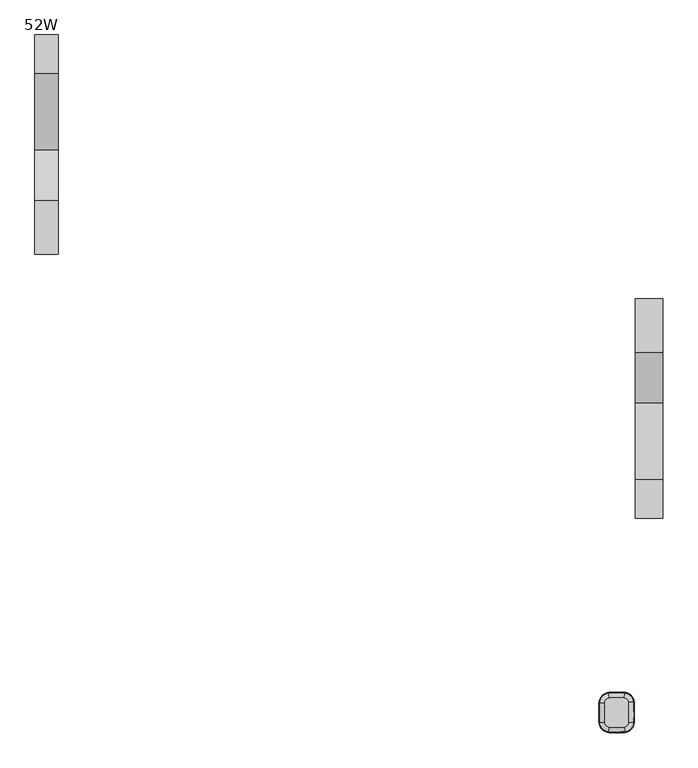
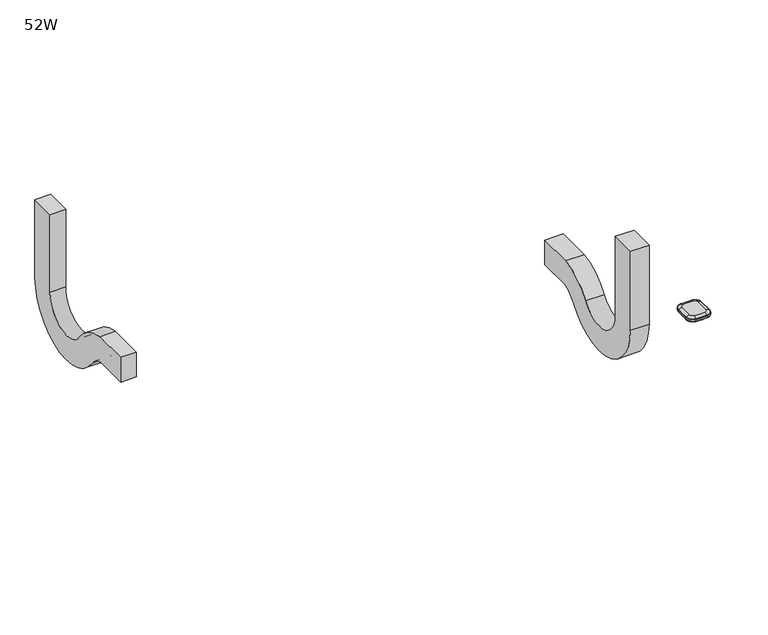
"""IFC4 building model written with IfcOpenShell, lengths in millimetres: furniture geometry, 52W."""

from ifc_helpers import new_model, si_unit, point, frame, frame_2d, origin, place, context, project, spatial, polyline, circle_curve, ellipse_curve, trimmed, segment, composite_curve, outline, extrude, source, transform, mapped, element, save
from ifc_brep_helpers import plane_surface, revolved_surface, advanced_brep


def furniture_52w_fedf03c4(model_context):
    return source(origin(), model_context, "Body", "SolidModel", [
        extrude(outline(composite_curve([segment(polyline([(-362.6002405, 626.0817412), (-296.7829354, 626.0817412), (-296.7829354, 414.9770521)]), True, "CONTINUOUS"), segment(trimmed(circle_curve(frame_2d((-225.2196812, 414.9770521)), 71.5632541), [point((-296.7829354, 414.9770521))], [point((-166.1254795, 374.6140162))], True, "CARTESIAN"), True, "CONTINUOUS"), segment(trimmed(circle_curve(frame_2d((-62.1606652, 303.6030641)), 125.9016995), [point((-166.1254795, 374.6140162))], [point((-79.3250904, 428.329246))], False, "CARTESIAN"), True, "CONTINUOUS"), segment(polyline([(-79.3250904, 428.329246), (12.7, 428.329246), (12.7, 362.5119408), (-73.9876973, 362.5119408)]), True, "CONTINUOUS"), segment(trimmed(circle_curve(frame_2d((-62.1606652, 303.6030641)), 60.0843944), [point((-73.9876973, 362.5119408))], [point((-111.776063, 337.4918048))], True, "CARTESIAN"), True, "CONTINUOUS"), segment(trimmed(circle_curve(frame_2d((-225.2196812, 414.9770521)), 137.3805593), [point((-111.776063, 337.4918048))], [point((-362.6002405, 414.9770521))], False, "CARTESIAN"), True, "CONTINUOUS"), segment(polyline([(-362.6002405, 414.9770521), (-362.6002405, 626.0817412)]), True, "CONTINUOUS")], self_intersect=False)), frame((495.3, 0.0, 0.0), z_axis=(1.0, 0.0, 0.0), x_axis=(0.0, 1.0, 0.0)), (0.0, 0.0, 1.0), 47.095808),
        extrude(outline(composite_curve([segment(polyline([(398.3829354, 622.5270035), (464.2002405, 622.5270035), (464.2002405, 414.9770521)]), True, "CONTINUOUS"), segment(trimmed(circle_curve(frame_2d((326.8196812, 414.9770521)), 137.3805593), [point((464.2002405, 414.9770521))], [point((213.376063, 337.4918048))], False, "CARTESIAN"), True, "CONTINUOUS"), segment(trimmed(circle_curve(frame_2d((163.7606652, 303.6030641)), 60.0843944), [point((213.376063, 337.4918048))], [point((175.5876973, 362.5119408))], True, "CARTESIAN"), True, "CONTINUOUS"), segment(polyline([(175.5876973, 362.5119408), (88.9, 362.5119408), (88.9, 428.329246), (180.9250904, 428.329246)]), True, "CONTINUOUS"), segment(trimmed(circle_curve(frame_2d((163.7606652, 303.6030641)), 125.9016995), [point((180.9250904, 428.329246))], [point((267.7254795, 374.6140162))], False, "CARTESIAN"), True, "CONTINUOUS"), segment(trimmed(circle_curve(frame_2d((326.8196812, 414.9770521)), 71.5632541), [point((267.7254795, 374.6140162))], [point((398.3829354, 414.9770521))], True, "CARTESIAN"), True, "CONTINUOUS"), segment(polyline([(398.3829354, 414.9770521), (398.3829354, 622.5270035)]), True, "CONTINUOUS")], self_intersect=False)), frame((-532.5504395, 0.0, 0.0), z_axis=(1.0, 0.0, 0.0), x_axis=(0.0, 1.0, 0.0)), (0.0, 0.0, 1.0), 39.6623077),
        advanced_brep(
        [(477.6115374, -720.1187209, 686.2002905), (478.7543179, -727.7731833, 683.3834162), (492.2427261, -712.8735148, 683.3834162), (484.5126626, -712.4955473, 686.2002905), (493.50939, -712.9354493, 681.9527708), (478.9415762, -729.0274591, 681.9527708), (478.9660814, -729.1915975, 677.6840916), (493.6751497, -712.9435543, 677.6840916), (492.0943896, -677.2891615, 683.3834162), (484.3677458, -677.7315617, 686.2002905), (493.5261794, -677.2071824, 677.6840916), (493.3604931, -677.216669, 681.9527708), (477.9675965, -662.5236904, 683.3834162), (477.1841927, -670.2232371, 686.2002905), (478.1127656, -661.0969218, 677.6840916), (478.0959667, -661.262027, 681.9527708), (450.6358016, -662.3431655, 683.3834162), (451.3174314, -670.0523886, 686.2002905), (450.5094919, -660.9146037, 677.6840916), (450.5241084, -661.0799165, 681.9527708), (434.9085802, -678.6378217, 683.3834162), (442.6371131, -679.045891, 686.2002905), (433.4764403, -678.5622041, 677.6840916), (433.6421671, -678.5709546, 681.9527708), (434.7872101, -711.9795758, 683.3834162), (442.518509, -711.6277831, 686.2002905), (433.3545576, -712.0447649, 677.6840916), (433.5203437, -712.0372213, 681.9527708), (449.306564, -727.9163084, 683.3834162), (450.3748861, -720.2510994, 686.2002905), (449.1085979, -729.3367141, 677.6840916), (449.1315065, -729.1723451, 681.9527708), (493.3250419, -712.9264355, 676.940773), (478.914323, -728.8449139, 676.940773), (477.6115374, -720.1187209, 673.4999998), (484.5126626, -712.4955473, 673.4999998), (484.3677458, -677.7315617, 673.4999998), (493.1762266, -677.2272194, 676.940773), (477.1841927, -670.2232371, 673.4999998), (478.0772839, -661.4456474, 676.940773), (451.3174314, -670.0523886, 673.4999998), (450.540364, -661.2637676, 676.940773), (442.6371131, -679.045891, 673.4999998), (433.8264787, -678.5806863, 676.940773), (442.518509, -711.6277831, 673.4999998), (433.7047213, -712.0288317, 676.940773), (450.3748861, -720.2510994, 673.4999998), (449.1569841, -728.9895437, 676.940773)],
        [
            (0, 1),
            (1, 2, circle_curve(frame((476.4143107, -712.0995721, 683.3834162), z_axis=(0.0, 0.0, 1.0), x_axis=(0.1476594373655488, -0.9890382654664528, 0.0)), 15.8473253)),
            (2, 3),
            (3, 0, circle_curve(frame((476.4143107, -712.0995721, 686.1999998), z_axis=(0.0, 0.0, -1.0), x_axis=(0.1476594373655488, -0.9890382654664528, 0.0)), 8.1088255)),
            (4, 5, circle_curve(frame((476.4143107, -712.0995721, 681.9527708), z_axis=(0.0, 0.0, -1.0), x_axis=(0.1476594373655488, -0.9890382654664528, 0.0)), 17.1155025)),
            (5, 6, circle_curve(frame((477.3147111, -718.1305475, 679.3868597), z_axis=(0.9890382654664528, 0.14765943736554882, 0.0), x_axis=(-0.14765943736554882, 0.9890382654664528, 0.0)), 11.3125272)),
            (6, 7, circle_curve(frame((476.4143107, -712.0995721, 677.6840916), z_axis=(0.0, 0.0, 1.0), x_axis=(0.1476594373655488, -0.9890382654664528, 0.0)), 17.2814602)),
            (7, 4, circle_curve(frame((482.5048525, -712.3973739, 679.3868597), z_axis=(-0.048837433538175434, -0.9988067406087148, 0.0), x_axis=(-0.9988067406087148, 0.048837433538175434, 0.0)), 11.3125272)),
            (1, 5, circle_curve(frame((478.6529657, -727.0943157, 681.4975708), z_axis=(0.9890382654664528, 0.14765943736554882, 0.0), x_axis=(-0.14765943736554882, 0.9890382654664528, 0.0)), 2.0068747)),
            (4, 2, circle_curve(frame((491.5571536, -712.8399932, 681.4975708), z_axis=(-0.048837433538182984, -0.9988067406087143, 0.0), x_axis=(-0.9988067406087143, 0.048837433538182984, 0.0)), 2.0068747)),
            (2, 8, circle_curve(frame((156.9426653, -696.4787572, 683.3834162), z_axis=(0.0, 0.0, 1.0), x_axis=(0.9988067406087116, -0.04883743353824024, 0.0)), 335.7006387)),
            (8, 9),
            (9, 3, circle_curve(frame((156.9426653, -696.4787572, 686.1999998), z_axis=(0.0, 0.0, -1.0), x_axis=(0.9988067406087116, -0.04883743353824024, 0.0)), 327.9621389)),
            (7, 10, circle_curve(frame((156.9426653, -696.4787572, 677.6840916), z_axis=(0.0, 0.0, 1.0), x_axis=(0.9988067406087116, -0.04883743353824024, 0.0)), 337.1347736)),
            (10, 11, circle_curve(frame((482.360824, -677.8464709, 679.3868597), z_axis=(0.057162821296979055, -0.9983648691041616, 0.0), x_axis=(-0.9983648691041616, -0.057162821296979055, 0.0)), 11.3125272)),
            (11, 4, circle_curve(frame((156.9426653, -696.4787572, 681.9527708), z_axis=(0.0, 0.0, -1.0), x_axis=(0.9988067406087116, -0.04883743353824024, 0.0)), 336.9688159)),
            (11, 8, circle_curve(frame((491.4091203, -677.3283976, 681.4975708), z_axis=(0.057162821296978604, -0.9983648691041617, 0.0), x_axis=(-0.9983648691041617, -0.057162821296978604, 0.0)), 2.0068747)),
            (8, 12, circle_curve(frame((476.3736743, -678.1892738, 683.3834162), z_axis=(0.0, 0.0, 1.0), x_axis=(0.9983648691041614, 0.05716282129698137, 0.0)), 15.7464628)),
            (12, 13),
            (13, 9, circle_curve(frame((476.3736743, -678.1892738, 686.1999998), z_axis=(0.0, 0.0, -1.0), x_axis=(0.9983648691041614, 0.05716282129698137, 0.0)), 8.0079629)),
            (10, 14, circle_curve(frame((476.3736743, -678.1892738, 677.6840916), z_axis=(0.0, 0.0, 1.0), x_axis=(0.9983648691041614, 0.05716282129698137, 0.0)), 17.1805977)),
            (14, 15, circle_curve(frame((476.980711, -672.2231208, 679.3868597), z_axis=(0.9948636454160275, -0.10122414252308043, 0.0), x_axis=(-0.10122414252308043, -0.9948636454160275, 0.0)), 11.3125272)),
            (15, 11, circle_curve(frame((476.3736743, -678.1892738, 681.9527708), z_axis=(0.0, 0.0, -1.0), x_axis=(0.9983648691041614, 0.05716282129698137, 0.0)), 17.01464)),
            (15, 12, circle_curve(frame((477.8981171, -663.2065564, 681.4975708), z_axis=(0.9948636454160269, -0.10122414252308576, 0.0), x_axis=(-0.10122414252308576, -0.9948636454160269, 0.0)), 2.0068747)),
            (12, 16, circle_curve(frame((463.3523463, -806.1671014, 683.3834162), z_axis=(0.0, 0.0, 1.0), x_axis=(0.10122414252308336, 0.9948636454160271, 0.0)), 144.3850237)),
            (16, 17),
            (17, 13, circle_curve(frame((463.3523463, -806.1671014, 686.1999998), z_axis=(0.0, 0.0, -1.0), x_axis=(0.10122414252308336, 0.9948636454160271, 0.0)), 136.6465238)),
            (14, 18, circle_curve(frame((463.3523463, -806.1671014, 677.6840916), z_axis=(0.0, 0.0, 1.0), x_axis=(0.10122414252308336, 0.9948636454160271, 0.0)), 145.8191585)),
            (18, 19, circle_curve(frame((451.4944783, -672.0547856, 679.3868597), z_axis=(0.996113947934043, 0.08807384816876526, 0.0), x_axis=(0.08807384816876526, -0.996113947934043, 0.0)), 11.3125272)),
            (19, 15, circle_curve(frame((463.3523463, -806.1671014, 681.9527708), z_axis=(0.0, 0.0, -1.0), x_axis=(0.10122414252308336, 0.9948636454160271, 0.0)), 145.6532009)),
            (19, 16, circle_curve(frame((450.6962548, -663.0268897, 681.4975708), z_axis=(0.9961139479340431, 0.08807384816876489, 0.0), x_axis=(0.08807384816876489, -0.9961139479340431, 0.0)), 2.0068747)),
            (16, 20, circle_curve(frame((452.1570575, -679.5485475, 683.3834162), z_axis=(0.0, 0.0, 1.0), x_axis=(-0.08807384816876603, 0.996113947934043, 0.0)), 17.2725039)),
            (20, 21),
            (21, 17, circle_curve(frame((452.1570575, -679.5485475, 686.1999998), z_axis=(0.0, 0.0, -1.0), x_axis=(-0.08807384816876603, 0.996113947934043, 0.0)), 9.534004)),
            (18, 22, circle_curve(frame((452.1570575, -679.5485475, 677.6840916), z_axis=(0.0, 0.0, 1.0), x_axis=(-0.08807384816876603, 0.996113947934043, 0.0)), 18.7066388)),
            (22, 23, circle_curve(frame((444.6445256, -679.1518831, 679.3868597), z_axis=(0.0527269152255881, 0.9986089687213878, 0.0), x_axis=(0.9986089687213878, -0.0527269152255881, 0.0)), 11.3125272)),
            (23, 19, circle_curve(frame((452.1570575, -679.5485475, 681.9527708), z_axis=(0.0, 0.0, -1.0), x_axis=(-0.08807384816876603, 0.996113947934043, 0.0)), 18.5406811)),
            (23, 20, circle_curve(frame((435.594017, -678.674013, 681.4975708), z_axis=(0.05272691522559206, 0.9986089687213877, 0.0), x_axis=(0.9986089687213877, -0.05272691522559206, 0.0)), 2.0068747)),
            (20, 24, circle_curve(frame((774.026514, -696.5433714, 683.3834162), z_axis=(0.0, 0.0, 1.0), x_axis=(-0.9986089687213847, 0.05272691522564658, 0.0)), 339.5903145)),
            (24, 25),
            (25, 21, circle_curve(frame((774.026514, -696.5433714, 686.1999998), z_axis=(0.0, 0.0, -1.0), x_axis=(-0.9986089687213847, 0.05272691522564658, 0.0)), 331.8518146)),
            (22, 26, circle_curve(frame((774.026514, -696.5433714, 677.6840916), z_axis=(0.0, 0.0, 1.0), x_axis=(-0.9986089687213847, 0.05272691522564658, 0.0)), 341.0244494)),
            (26, 27, circle_curve(frame((444.52664, -711.5364083, 679.3868597), z_axis=(-0.04545537307656789, 0.998966370334092, 0.0), x_axis=(0.998966370334092, 0.04545537307656789, 0.0)), 11.3125272)),
            (27, 23, circle_curve(frame((774.026514, -696.5433714, 681.9527708), z_axis=(0.0, 0.0, -1.0), x_axis=(-0.9986089687213847, 0.05272691522564658, 0.0)), 340.8584917)),
            (27, 24, circle_curve(frame((435.4728922, -711.9483756, 681.4975708), z_axis=(-0.045455373076567544, 0.9989663703340919, 0.0), x_axis=(0.9989663703340919, 0.045455373076567544, 0.0)), 2.0068747)),
            (24, 28, circle_curve(frame((451.6345546, -711.2129811, 683.3834162), z_axis=(0.0, 0.0, 1.0), x_axis=(-0.9989663703340921, -0.045455373076564755, 0.0)), 16.8647764)),
            (28, 29),
            (29, 25, circle_curve(frame((451.6345546, -711.2129811, 686.1999998), z_axis=(0.0, 0.0, -1.0), x_axis=(-0.9989663703340921, -0.045455373076564755, 0.0)), 9.1262765)),
            (26, 30, circle_curve(frame((451.6345546, -711.2129811, 677.6840916), z_axis=(0.0, 0.0, 1.0), x_axis=(-0.9989663703340921, -0.045455373076564755, 0.0)), 18.2989113)),
            (30, 31, circle_curve(frame((450.6523726, -718.2601347, 679.3868597), z_axis=(-0.9904268457768627, 0.13803862924737725, 0.0), x_axis=(0.13803862924737725, 0.9904268457768627, 0.0)), 11.3125272)),
            (31, 27, circle_curve(frame((451.6345546, -711.2129811, 681.9527708), z_axis=(0.0, 0.0, -1.0), x_axis=(-0.9989663703340921, -0.045455373076564755, 0.0)), 18.1329536)),
            (31, 28, circle_curve(frame((449.4013125, -727.2364878, 681.4975708), z_axis=(-0.9904268457768625, 0.13803862924737836, 0.0), x_axis=(0.13803862924737836, 0.9904268457768625, 0.0)), 2.0068747)),
            (0, 29, circle_curve(frame((463.5346182, -625.8300522, 686.1999998), z_axis=(0.0, 0.0, -1.0), x_axis=(-0.13803862924737878, -0.9904268457768624, 0.0)), 95.33449)),
            (28, 1, circle_curve(frame((463.5346182, -625.8300522, 683.3834162), z_axis=(0.0, 0.0, 1.0), x_axis=(-0.13803862924737878, -0.9904268457768624, 0.0)), 103.0729899)),
            (5, 31, circle_curve(frame((463.5346182, -625.8300522, 681.9527708), z_axis=(0.0, 0.0, -1.0), x_axis=(-0.13803862924737878, -0.9904268457768624, 0.0)), 104.3411671)),
            (30, 6, circle_curve(frame((463.5346182, -625.8300522, 677.6840916), z_axis=(0.0, 0.0, 1.0), x_axis=(-0.13803862924737878, -0.9904268457768624, 0.0)), 104.5071248)),
            (32, 33, circle_curve(frame((476.4143107, -712.0995721, 676.940773), z_axis=(0.0, 0.0, -1.0), x_axis=(0.1476594373655488, -0.9890382654664528, 0.0)), 16.9309342)),
            (33, 34, circle_curve(frame((477.761296, -721.1218192, 683.9316594), z_axis=(0.9890382654664528, 0.14765943736554882, 0.0), x_axis=(-0.14765943736554882, 0.9890382654664528, 0.0)), 10.4808471)),
            (34, 35, circle_curve(frame((476.4143107, -712.0995721, 673.4999998), z_axis=(0.0, 0.0, 1.0), x_axis=(0.1476594373655488, -0.9890382654664528, 0.0)), 8.1080269)),
            (35, 32, circle_curve(frame((485.5256682, -712.545079, 683.9316594), z_axis=(-0.04883743353810335, -0.9988067406087182, 0.0), x_axis=(-0.9988067406087182, 0.04883743353810335, 0.0)), 10.4808471)),
            (6, 33, circle_curve(frame((478.755997, -727.7844301, 677.9007148), z_axis=(0.9890382654664528, 0.14765943736554882, 0.0), x_axis=(-0.14765943736554882, 0.9890382654664528, 0.0)), 1.4391599)),
            (32, 7, circle_curve(frame((492.2540841, -712.8740702, 677.9007148), z_axis=(-0.048837433538165, -0.9988067406087151, 0.0), x_axis=(-0.9988067406087151, 0.048837433538165, 0.0)), 1.4391599)),
            (35, 36, circle_curve(frame((156.9426653, -696.4787572, 673.4999998), z_axis=(0.0, 0.0, 1.0), x_axis=(0.9988067406087116, -0.04883743353824024, 0.0)), 327.9613402)),
            (36, 37, circle_curve(frame((485.3803033, -677.6735862, 683.9316594), z_axis=(0.05716282129697852, -0.9983648691041617, 0.0), x_axis=(-0.9983648691041617, -0.05716282129697852, 0.0)), 10.4808471)),
            (37, 32, circle_curve(frame((156.9426653, -696.4787572, 676.940773), z_axis=(0.0, 0.0, -1.0), x_axis=(0.9988067406087116, -0.04883743353824024, 0.0)), 336.7842476)),
            (37, 10, circle_curve(frame((492.1057425, -677.2885115, 677.9007148), z_axis=(0.05716282129697867, -0.9983648691041617, 0.0), x_axis=(-0.9983648691041617, -0.05716282129697867, 0.0)), 1.4391599)),
            (36, 38, circle_curve(frame((476.3736743, -678.1892738, 673.4999998), z_axis=(0.0, 0.0, 1.0), x_axis=(0.9983648691041614, 0.05716282129698137, 0.0)), 8.0071643)),
            (38, 39, circle_curve(frame((477.2868558, -669.2142307, 683.9316594), z_axis=(0.9948636454160271, -0.10122414252308332, 0.0), x_axis=(-0.10122414252308332, -0.9948636454160271, 0.0)), 10.4808471)),
            (39, 37, circle_curve(frame((476.3736743, -678.1892738, 676.940773), z_axis=(0.0, 0.0, -1.0), x_axis=(0.9983648691041614, 0.05716282129698137, 0.0)), 16.8300716)),
            (39, 14, circle_curve(frame((477.9687476, -662.5123773, 677.9007148), z_axis=(0.994863645416027, -0.1012241425230844, 0.0), x_axis=(-0.1012241425230844, -0.994863645416027, 0.0)), 1.4391599)),
            (38, 40, circle_curve(frame((463.3523463, -806.1671014, 673.4999998), z_axis=(0.0, 0.0, 1.0), x_axis=(0.10122414252308336, 0.9948636454160271, 0.0)), 136.6457252)),
            (40, 41, circle_curve(frame((451.2281056, -669.0421141, 683.9316594), z_axis=(0.9961139479340431, 0.08807384816876511, 0.0), x_axis=(0.08807384816876511, -0.9961139479340431, 0.0)), 10.4808471)),
            (41, 39, circle_curve(frame((463.3523463, -806.1671014, 676.940773), z_axis=(0.0, 0.0, -1.0), x_axis=(0.10122414252308336, 0.9948636454160271, 0.0)), 145.4686325)),
            (41, 18, circle_curve(frame((450.6348001, -662.3318381, 677.9007148), z_axis=(0.996113947934043, 0.08807384816876532, 0.0), x_axis=(0.08807384816876532, -0.996113947934043, 0.0)), 1.4391599)),
            (40, 42, circle_curve(frame((452.1570575, -679.5485475, 673.4999998), z_axis=(0.0, 0.0, 1.0), x_axis=(-0.08807384816876603, 0.996113947934043, 0.0)), 9.5332054)),
            (42, 43, circle_curve(frame((441.6243081, -678.9924145, 683.9316594), z_axis=(0.052726915225535964, 0.9986089687213906, 0.0), x_axis=(0.9986089687213906, -0.052726915225535964, 0.0)), 10.4808471)),
            (43, 41, circle_curve(frame((452.1570575, -679.5485475, 676.940773), z_axis=(0.0, 0.0, -1.0), x_axis=(-0.08807384816876603, 0.996113947934043, 0.0)), 18.3561127)),
            (43, 22, circle_curve(frame((434.8972245, -678.6372221, 677.9007148), z_axis=(0.05272691522558652, 0.9986089687213879, 0.0), x_axis=(0.9986089687213879, -0.05272691522558652, 0.0)), 1.4391599)),
            (42, 44, circle_curve(frame((774.026514, -696.5433714, 673.4999998), z_axis=(0.0, 0.0, 1.0), x_axis=(-0.9986089687213847, 0.05272691522564658, 0.0)), 331.851016)),
            (44, 45, circle_curve(frame((441.5053415, -711.6738847, 683.9316594), z_axis=(-0.04545537307656799, 0.998966370334092, 0.0), x_axis=(0.998966370334092, 0.04545537307656799, 0.0)), 10.4808471)),
            (45, 43, circle_curve(frame((774.026514, -696.5433714, 676.940773), z_axis=(0.0, 0.0, -1.0), x_axis=(-0.9986089687213847, 0.05272691522564658, 0.0)), 340.6739233)),
            (45, 26, circle_curve(frame((434.7758503, -711.9800927, 677.9007148), z_axis=(-0.04545537307656811, 0.998966370334092, 0.0), x_axis=(0.998966370334092, 0.04545537307656811, 0.0)), 1.4391599)),
            (44, 46, circle_curve(frame((451.6345546, -711.2129811, 673.4999998), z_axis=(0.0, 0.0, 1.0), x_axis=(-0.9989663703340921, -0.045455373076564755, 0.0)), 9.1254779)),
            (46, 47, circle_curve(frame((450.2348851, -721.255606, 683.9316594), z_axis=(-0.9904268457768617, 0.13803862924738405, 0.0), x_axis=(0.13803862924738405, 0.9904268457768617, 0.0)), 10.4808471)),
            (47, 45, circle_curve(frame((451.6345546, -711.2129811, 676.940773), z_axis=(0.0, 0.0, -1.0), x_axis=(-0.9989663703340921, -0.045455373076564755, 0.0)), 17.9483852)),
            (47, 30, circle_curve(frame((449.3049942, -727.9275711, 677.9007148), z_axis=(-0.9904268457768625, 0.1380386292473788, 0.0), x_axis=(0.1380386292473788, 0.9904268457768625, 0.0)), 1.4391599)),
            (33, 47, circle_curve(frame((463.5346182, -625.8300522, 676.940773), z_axis=(0.0, 0.0, -1.0), x_axis=(-0.13803862924737878, -0.9904268457768624, 0.0)), 104.1565987)),
            (46, 34, circle_curve(frame((463.5346182, -625.8300522, 673.4999998), z_axis=(0.0, 0.0, 1.0), x_axis=(-0.13803862924737878, -0.9904268457768624, 0.0)), 95.3336914)),
        ],
        [
            revolved_surface(polyline([(478.7543179, -727.7731833, 683.3834162), (477.6115374, -720.1187209, 686.2002905)]), (476.4143107, -712.0995721, 0.0), (0.0, 0.0, 1.0)),
            revolved_surface(trimmed(ellipse_curve(frame((477.3147111, -718.1305475, 679.3868597), z_axis=(-0.9890382654664528, -0.14765943736554882, 0.0), x_axis=(-0.14765943736554882, 0.9890382654664528, 0.0)), 11.3125272, 11.3125272), [point((478.9660814, -729.1915975, 677.6840916))], [point((478.9415762, -729.0274591, 681.9527708))], True, "CARTESIAN"), (476.4143107, -712.0995721, 0.0), (0.0, 0.0, 1.0)),
            revolved_surface(trimmed(ellipse_curve(frame((478.6529657, -727.0943157, 681.4975708), z_axis=(-0.9890382654664528, -0.14765943736554882, 0.0), x_axis=(-0.14765943736554882, 0.9890382654664528, 0.0)), 2.0068747, 2.0068747), [point((478.9415762, -729.0274591, 681.9527708))], [point((478.7543179, -727.7731833, 683.3834162))], True, "CARTESIAN"), (476.4143107, -712.0995721, 0.0), (0.0, 0.0, 1.0)),
            revolved_surface(polyline([(492.2427261, -712.8735148, 683.3834162), (484.5126626, -712.4955473, 686.2002905)]), (156.9426653, -696.4787572, 0.0), (0.0, 0.0, 1.0)),
            revolved_surface(trimmed(ellipse_curve(frame((482.5048525, -712.3973739, 679.3868597), z_axis=(-0.0488374335382402, -0.9988067406087116, 0.0), x_axis=(-0.9988067406087116, 0.0488374335382402, 0.0)), 11.3125272, 11.3125272), [point((493.6751497, -712.9435543, 677.6840916))], [point((493.50939, -712.9354493, 681.9527708))], True, "CARTESIAN"), (156.9426653, -696.4787572, 0.0), (0.0, 0.0, 1.0)),
            revolved_surface(trimmed(ellipse_curve(frame((491.5571536, -712.8399932, 681.4975708), z_axis=(-0.0488374335382402, -0.9988067406087116, 0.0), x_axis=(-0.9988067406087116, 0.0488374335382402, 0.0)), 2.0068747, 2.0068747), [point((493.50939, -712.9354493, 681.9527708))], [point((492.2427261, -712.8735148, 683.3834162))], True, "CARTESIAN"), (156.9426653, -696.4787572, 0.0), (0.0, 0.0, 1.0)),
            revolved_surface(polyline([(492.0943896, -677.2891615, 683.3834162), (484.3677458, -677.7315617, 686.2002905)]), (476.3736743, -678.1892738, 0.0), (0.0, 0.0, 1.0)),
            revolved_surface(trimmed(ellipse_curve(frame((482.360824, -677.8464709, 679.3868597), z_axis=(0.05716282129698141, -0.9983648691041614, 0.0), x_axis=(-0.9983648691041614, -0.05716282129698141, 0.0)), 11.3125272, 11.3125272), [point((493.5261794, -677.2071824, 677.6840916))], [point((493.3604931, -677.216669, 681.9527708))], True, "CARTESIAN"), (476.3736743, -678.1892738, 0.0), (0.0, 0.0, 1.0)),
            revolved_surface(trimmed(ellipse_curve(frame((491.4091203, -677.3283976, 681.4975708), z_axis=(0.05716282129698141, -0.9983648691041614, 0.0), x_axis=(-0.9983648691041614, -0.05716282129698141, 0.0)), 2.0068747, 2.0068747), [point((493.3604931, -677.216669, 681.9527708))], [point((492.0943896, -677.2891615, 683.3834162))], True, "CARTESIAN"), (476.3736743, -678.1892738, 0.0), (0.0, 0.0, 1.0)),
            revolved_surface(polyline([(477.9675965, -662.5236904, 683.3834162), (477.1841927, -670.2232371, 686.2002905)]), (463.3523463, -806.1671014, 0.0), (0.0, 0.0, 1.0)),
            revolved_surface(trimmed(ellipse_curve(frame((476.980711, -672.2231208, 679.3868597), z_axis=(0.9948636454160271, -0.10122414252308337, 0.0), x_axis=(-0.10122414252308337, -0.9948636454160271, 0.0)), 11.3125272, 11.3125272), [point((478.1127656, -661.0969218, 677.6840916))], [point((478.0959667, -661.262027, 681.9527708))], True, "CARTESIAN"), (463.3523463, -806.1671014, 0.0), (0.0, 0.0, 1.0)),
            revolved_surface(trimmed(ellipse_curve(frame((477.8981171, -663.2065564, 681.4975708), z_axis=(0.9948636454160271, -0.10122414252308337, 0.0), x_axis=(-0.10122414252308337, -0.9948636454160271, 0.0)), 2.0068747, 2.0068747), [point((478.0959667, -661.262027, 681.9527708))], [point((477.9675965, -662.5236904, 683.3834162))], True, "CARTESIAN"), (463.3523463, -806.1671014, 0.0), (0.0, 0.0, 1.0)),
            revolved_surface(polyline([(450.6358016, -662.3431655, 683.3834162), (451.3174314, -670.0523886, 686.2002905)]), (452.1570575, -679.5485475, 0.0), (0.0, 0.0, 1.0)),
            revolved_surface(trimmed(ellipse_curve(frame((451.4944783, -672.0547856, 679.3868597), z_axis=(0.996113947934043, 0.08807384816876601, 0.0), x_axis=(0.08807384816876601, -0.996113947934043, 0.0)), 11.3125272, 11.3125272), [point((450.5094919, -660.9146037, 677.6840916))], [point((450.5241084, -661.0799165, 681.9527708))], True, "CARTESIAN"), (452.1570575, -679.5485475, 0.0), (0.0, 0.0, 1.0)),
            revolved_surface(trimmed(ellipse_curve(frame((450.6962548, -663.0268897, 681.4975708), z_axis=(0.996113947934043, 0.08807384816876601, 0.0), x_axis=(0.08807384816876601, -0.996113947934043, 0.0)), 2.0068747, 2.0068747), [point((450.5241084, -661.0799165, 681.9527708))], [point((450.6358016, -662.3431655, 683.3834162))], True, "CARTESIAN"), (452.1570575, -679.5485475, 0.0), (0.0, 0.0, 1.0)),
            revolved_surface(polyline([(434.9085802, -678.6378217, 683.3834162), (442.6371131, -679.045891, 686.2002905)]), (774.026514, -696.5433714, 0.0), (0.0, 0.0, 1.0)),
            revolved_surface(trimmed(ellipse_curve(frame((444.6445256, -679.1518831, 679.3868597), z_axis=(0.05272691522564658, 0.9986089687213847, 0.0), x_axis=(0.9986089687213847, -0.05272691522564658, 0.0)), 11.3125272, 11.3125272), [point((433.4764403, -678.5622041, 677.6840916))], [point((433.6421671, -678.5709546, 681.9527708))], True, "CARTESIAN"), (774.026514, -696.5433714, 0.0), (0.0, 0.0, 1.0)),
            revolved_surface(trimmed(ellipse_curve(frame((435.594017, -678.674013, 681.4975708), z_axis=(0.05272691522564658, 0.9986089687213847, 0.0), x_axis=(0.9986089687213847, -0.05272691522564658, 0.0)), 2.0068747, 2.0068747), [point((433.6421671, -678.5709546, 681.9527708))], [point((434.9085802, -678.6378217, 683.3834162))], True, "CARTESIAN"), (774.026514, -696.5433714, 0.0), (0.0, 0.0, 1.0)),
            revolved_surface(polyline([(434.7872101, -711.9795758, 683.3834162), (442.518509, -711.6277831, 686.2002905)]), (451.6345546, -711.2129811, 0.0), (0.0, 0.0, 1.0)),
            revolved_surface(trimmed(ellipse_curve(frame((444.52664, -711.5364083, 679.3868597), z_axis=(-0.04545537307656476, 0.9989663703340921, 0.0), x_axis=(0.9989663703340921, 0.04545537307656476, 0.0)), 11.3125272, 11.3125272), [point((433.3545576, -712.0447649, 677.6840916))], [point((433.5203437, -712.0372213, 681.9527708))], True, "CARTESIAN"), (451.6345546, -711.2129811, 0.0), (0.0, 0.0, 1.0)),
            revolved_surface(trimmed(ellipse_curve(frame((435.4728922, -711.9483756, 681.4975708), z_axis=(-0.04545537307656476, 0.9989663703340921, 0.0), x_axis=(0.9989663703340921, 0.04545537307656476, 0.0)), 2.0068747, 2.0068747), [point((433.5203437, -712.0372213, 681.9527708))], [point((434.7872101, -711.9795758, 683.3834162))], True, "CARTESIAN"), (451.6345546, -711.2129811, 0.0), (0.0, 0.0, 1.0)),
            revolved_surface(polyline([(449.306564, -727.9163084, 683.3834162), (450.3748861, -720.2510994, 686.2002905)]), (463.5346182, -625.8300522, 0.0), (0.0, 0.0, 1.0)),
            revolved_surface(trimmed(ellipse_curve(frame((450.6523726, -718.2601347, 679.3868597), z_axis=(-0.9904268457768624, 0.1380386292473788, 0.0), x_axis=(0.1380386292473788, 0.9904268457768624, 0.0)), 11.3125272, 11.3125272), [point((449.1085979, -729.3367141, 677.6840916))], [point((449.1315065, -729.1723451, 681.9527708))], True, "CARTESIAN"), (463.5346182, -625.8300522, 0.0), (0.0, 0.0, 1.0)),
            revolved_surface(trimmed(ellipse_curve(frame((449.4013125, -727.2364878, 681.4975708), z_axis=(-0.9904268457768624, 0.1380386292473788, 0.0), x_axis=(0.1380386292473788, 0.9904268457768624, 0.0)), 2.0068747, 2.0068747), [point((449.1315065, -729.1723451, 681.9527708))], [point((449.306564, -727.9163084, 683.3834162))], True, "CARTESIAN"), (463.5346182, -625.8300522, 0.0), (0.0, 0.0, 1.0)),
            revolved_surface(trimmed(ellipse_curve(frame((477.761296, -721.1218192, 683.9316594), z_axis=(-0.9890382654664528, -0.14765943736554882, 0.0), x_axis=(-0.14765943736554882, 0.9890382654664528, 0.0)), 10.4808471, 10.4808471), [point((477.6115374, -720.1187209, 673.4999998))], [point((478.914323, -728.8449139, 676.940773))], True, "CARTESIAN"), (476.4143107, -712.0995721, 0.0), (0.0, 0.0, 1.0)),
            revolved_surface(trimmed(ellipse_curve(frame((478.755997, -727.7844301, 677.9007148), z_axis=(-0.9890382654664528, -0.14765943736554882, 0.0), x_axis=(-0.14765943736554882, 0.9890382654664528, 0.0)), 1.4391599, 1.4391599), [point((478.914323, -728.8449139, 676.940773))], [point((478.9660814, -729.1915975, 677.6840916))], True, "CARTESIAN"), (476.4143107, -712.0995721, 0.0), (0.0, 0.0, 1.0)),
            revolved_surface(trimmed(ellipse_curve(frame((485.5256682, -712.545079, 683.9316594), z_axis=(-0.0488374335382402, -0.9988067406087116, 0.0), x_axis=(-0.9988067406087116, 0.0488374335382402, 0.0)), 10.4808471, 10.4808471), [point((484.5126626, -712.4955473, 673.4999998))], [point((493.3250419, -712.9264355, 676.940773))], True, "CARTESIAN"), (156.9426653, -696.4787572, 0.0), (0.0, 0.0, 1.0)),
            revolved_surface(trimmed(ellipse_curve(frame((492.2540841, -712.8740702, 677.9007148), z_axis=(-0.0488374335382402, -0.9988067406087116, 0.0), x_axis=(-0.9988067406087116, 0.0488374335382402, 0.0)), 1.4391599, 1.4391599), [point((493.3250419, -712.9264355, 676.940773))], [point((493.6751497, -712.9435543, 677.6840916))], True, "CARTESIAN"), (156.9426653, -696.4787572, 0.0), (0.0, 0.0, 1.0)),
            revolved_surface(trimmed(ellipse_curve(frame((485.3803033, -677.6735862, 683.9316594), z_axis=(0.05716282129698141, -0.9983648691041614, 0.0), x_axis=(-0.9983648691041614, -0.05716282129698141, 0.0)), 10.4808471, 10.4808471), [point((484.3677458, -677.7315617, 673.4999998))], [point((493.1762266, -677.2272194, 676.940773))], True, "CARTESIAN"), (476.3736743, -678.1892738, 0.0), (0.0, 0.0, 1.0)),
            revolved_surface(trimmed(ellipse_curve(frame((492.1057425, -677.2885115, 677.9007148), z_axis=(0.05716282129698141, -0.9983648691041614, 0.0), x_axis=(-0.9983648691041614, -0.05716282129698141, 0.0)), 1.4391599, 1.4391599), [point((493.1762266, -677.2272194, 676.940773))], [point((493.5261794, -677.2071824, 677.6840916))], True, "CARTESIAN"), (476.3736743, -678.1892738, 0.0), (0.0, 0.0, 1.0)),
            revolved_surface(trimmed(ellipse_curve(frame((477.2868558, -669.2142307, 683.9316594), z_axis=(0.9948636454160271, -0.10122414252308337, 0.0), x_axis=(-0.10122414252308337, -0.9948636454160271, 0.0)), 10.4808471, 10.4808471), [point((477.1841927, -670.2232371, 673.4999998))], [point((478.0772839, -661.4456474, 676.940773))], True, "CARTESIAN"), (463.3523463, -806.1671014, 0.0), (0.0, 0.0, 1.0)),
            revolved_surface(trimmed(ellipse_curve(frame((477.9687476, -662.5123773, 677.9007148), z_axis=(0.9948636454160271, -0.10122414252308337, 0.0), x_axis=(-0.10122414252308337, -0.9948636454160271, 0.0)), 1.4391599, 1.4391599), [point((478.0772839, -661.4456474, 676.940773))], [point((478.1127656, -661.0969218, 677.6840916))], True, "CARTESIAN"), (463.3523463, -806.1671014, 0.0), (0.0, 0.0, 1.0)),
            revolved_surface(trimmed(ellipse_curve(frame((451.2281056, -669.0421141, 683.9316594), z_axis=(0.996113947934043, 0.08807384816876601, 0.0), x_axis=(0.08807384816876601, -0.996113947934043, 0.0)), 10.4808471, 10.4808471), [point((451.3174314, -670.0523886, 673.4999998))], [point((450.540364, -661.2637676, 676.940773))], True, "CARTESIAN"), (452.1570575, -679.5485475, 0.0), (0.0, 0.0, 1.0)),
            revolved_surface(trimmed(ellipse_curve(frame((450.6348001, -662.3318381, 677.9007148), z_axis=(0.996113947934043, 0.08807384816876601, 0.0), x_axis=(0.08807384816876601, -0.996113947934043, 0.0)), 1.4391599, 1.4391599), [point((450.540364, -661.2637676, 676.940773))], [point((450.5094919, -660.9146037, 677.6840916))], True, "CARTESIAN"), (452.1570575, -679.5485475, 0.0), (0.0, 0.0, 1.0)),
            revolved_surface(trimmed(ellipse_curve(frame((441.6243081, -678.9924145, 683.9316594), z_axis=(0.05272691522564658, 0.9986089687213847, 0.0), x_axis=(0.9986089687213847, -0.05272691522564658, 0.0)), 10.4808471, 10.4808471), [point((442.6371131, -679.045891, 673.4999998))], [point((433.8264787, -678.5806863, 676.940773))], True, "CARTESIAN"), (774.026514, -696.5433714, 0.0), (0.0, 0.0, 1.0)),
            revolved_surface(trimmed(ellipse_curve(frame((434.8972245, -678.6372221, 677.9007148), z_axis=(0.05272691522564658, 0.9986089687213847, 0.0), x_axis=(0.9986089687213847, -0.05272691522564658, 0.0)), 1.4391599, 1.4391599), [point((433.8264787, -678.5806863, 676.940773))], [point((433.4764403, -678.5622041, 677.6840916))], True, "CARTESIAN"), (774.026514, -696.5433714, 0.0), (0.0, 0.0, 1.0)),
            revolved_surface(trimmed(ellipse_curve(frame((441.5053415, -711.6738847, 683.9316594), z_axis=(-0.04545537307656476, 0.9989663703340921, 0.0), x_axis=(0.9989663703340921, 0.04545537307656476, 0.0)), 10.4808471, 10.4808471), [point((442.518509, -711.6277831, 673.4999998))], [point((433.7047213, -712.0288317, 676.940773))], True, "CARTESIAN"), (451.6345546, -711.2129811, 0.0), (0.0, 0.0, 1.0)),
            revolved_surface(trimmed(ellipse_curve(frame((434.7758503, -711.9800927, 677.9007148), z_axis=(-0.04545537307656476, 0.9989663703340921, 0.0), x_axis=(0.9989663703340921, 0.04545537307656476, 0.0)), 1.4391599, 1.4391599), [point((433.7047213, -712.0288317, 676.940773))], [point((433.3545576, -712.0447649, 677.6840916))], True, "CARTESIAN"), (451.6345546, -711.2129811, 0.0), (0.0, 0.0, 1.0)),
            revolved_surface(trimmed(ellipse_curve(frame((450.2348851, -721.255606, 683.9316594), z_axis=(-0.9904268457768624, 0.1380386292473788, 0.0), x_axis=(0.1380386292473788, 0.9904268457768624, 0.0)), 10.4808471, 10.4808471), [point((450.3748861, -720.2510994, 673.4999998))], [point((449.1569841, -728.9895437, 676.940773))], True, "CARTESIAN"), (463.5346182, -625.8300522, 0.0), (0.0, 0.0, 1.0)),
            revolved_surface(trimmed(ellipse_curve(frame((449.3049942, -727.9275711, 677.9007148), z_axis=(-0.9904268457768624, 0.1380386292473788, 0.0), x_axis=(0.1380386292473788, 0.9904268457768624, 0.0)), 1.4391599, 1.4391599), [point((449.1569841, -728.9895437, 676.940773))], [point((449.1085979, -729.3367141, 677.6840916))], True, "CARTESIAN"), (463.5346182, -625.8300522, 0.0), (0.0, 0.0, 1.0)),
            plane_surface(frame((476.3736743, -670.1821095, 673.4999998), z_axis=(0.0, 0.0, -1.0), x_axis=(1.0, 0.0, 0.0))),
            plane_surface(frame((476.3736743, -670.1821095, 686.1999998), z_axis=(0.0, 0.0, 1.0), x_axis=(-1.0, 0.0, 0.0))),
        ],
        [
            (0, [[1, 2, 3, 4]]),
            (1, [[5, 6, 7, 8]]),
            (2, [[-2, 9, -5, 10]]),
            (3, [[-3, 11, 12, 13]]),
            (4, [[-8, 14, 15, 16]]),
            (5, [[-10, -16, 17, -11]]),
            (6, [[-12, 18, 19, 20]]),
            (7, [[-15, 21, 22, 23]]),
            (8, [[-17, -23, 24, -18]]),
            (9, [[-19, 25, 26, 27]]),
            (10, [[-22, 28, 29, 30]]),
            (11, [[-24, -30, 31, -25]]),
            (12, [[-26, 32, 33, 34]]),
            (13, [[-29, 35, 36, 37]]),
            (14, [[-31, -37, 38, -32]]),
            (15, [[-33, 39, 40, 41]]),
            (16, [[-36, 42, 43, 44]]),
            (17, [[-38, -44, 45, -39]]),
            (18, [[-40, 46, 47, 48]]),
            (19, [[-43, 49, 50, 51]]),
            (20, [[-45, -51, 52, -46]]),
            (21, [[-1, 53, -47, 54]]),
            (22, [[-6, 55, -50, 56]]),
            (23, [[-9, -54, -52, -55]]),
            (24, [[57, 58, 59, 60]]),
            (25, [[-7, 61, -57, 62]]),
            (26, [[-60, 63, 64, 65]]),
            (27, [[-14, -62, -65, 66]]),
            (28, [[-64, 67, 68, 69]]),
            (29, [[-21, -66, -69, 70]]),
            (30, [[-68, 71, 72, 73]]),
            (31, [[-28, -70, -73, 74]]),
            (32, [[-72, 75, 76, 77]]),
            (33, [[-35, -74, -77, 78]]),
            (34, [[-76, 79, 80, 81]]),
            (35, [[-42, -78, -81, 82]]),
            (36, [[-80, 83, 84, 85]]),
            (37, [[-49, -82, -85, 86]]),
            (38, [[-58, 87, -84, 88]]),
            (39, [[-56, -86, -87, -61]]),
            (40, [[-59, -88, -83, -79, -75, -71, -67, -63]]),
            (41, [[-4, -13, -20, -27, -34, -41, -48, -53]]),
        ],
    ),
    ])


if __name__ == "__main__":
    model = new_model("IFC4")
    model_context = context("Model", 3, world=origin())
    ifc_project = project(units=[si_unit("LENGTHUNIT", "METRE", prefix="MILLI")], contexts=[model_context])
    site = spatial("IfcSite", under=ifc_project)
    building = spatial("IfcBuilding", under=site)
    placement = place(None, origin())
    furniture_52w_shape = furniture_52w_fedf03c4(model_context)
    element("IfcFurniture", 1, ObjectType="52W", at=placement, inside=building, context=model_context, shape_type="MappedRepresentation", body=[
        mapped(furniture_52w_shape, transform((0.0, 0.0, 0.0), x_axis=(1.0, 0.0, 0.0), y_axis=(0.0, 1.0, 0.0), z_axis=(0.0, 0.0, 1.0))),
    ])
    save(model, "model.ifc")
